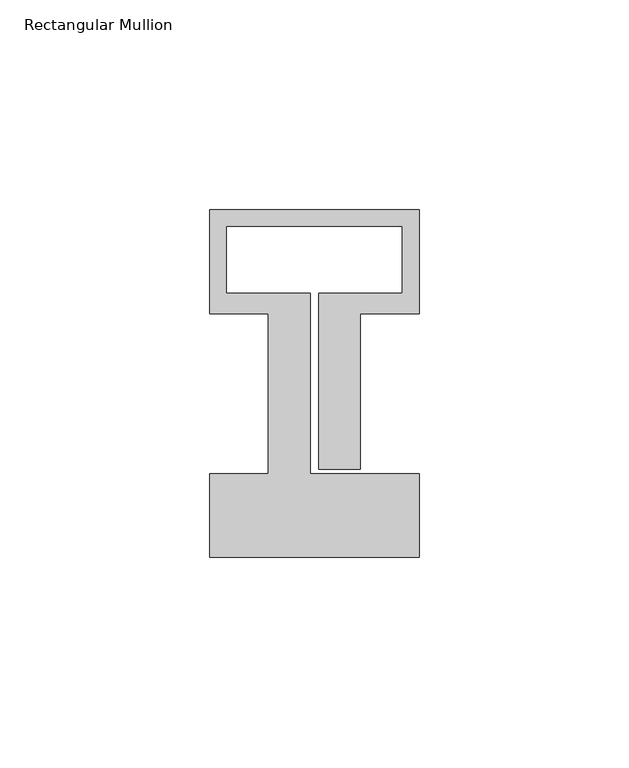
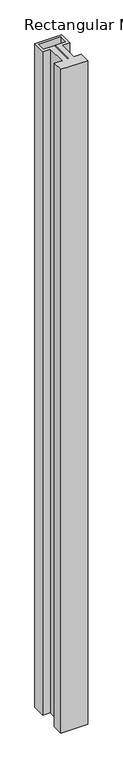
"""IFC4 building model written with IfcOpenShell, lengths in millimetres: member geometry, Rectangular Mullion."""

from ifc_helpers import new_model, si_unit, frame, origin, place, context, project, spatial, polyline, outline, extrude, source, transform, mapped, element, save


def rectangular_mullion_0cc49786(model_context):
    return source(origin(), model_context, "Body", "SweptSolid", [
        extrude(outline(polyline([(-50.0, -58.0), (-50.0, -38.0), (-36.0, -38.0), (-36.0, 0.1), (-50.0, 0.1), (-50.0, 25.0), (0.0, 25.0), (0.0, 0.1), (-14.0, 0.1), (-14.0, -37.0), (-24.0, -37.0), (-24.0, 5.0), (-4.0, 5.0), (-4.0, 21.0), (-46.0, 21.0), (-46.0, 5.0), (-26.0, 5.0), (-26.0, -38.0), (0.0, -38.0), (0.0, -58.0), (-50.0, -58.0)])), frame((0.0, 0.0, -1303.5714288), z_axis=(0.0, 0.0, 1.0), x_axis=(1.0, 0.0, 0.0)), (0.0, 0.0, 1.0), 1303.5714288),
    ])


if __name__ == "__main__":
    model = new_model("IFC4")
    model_context = context("Model", 3, world=origin())
    ifc_project = project(units=[si_unit("LENGTHUNIT", "METRE", prefix="MILLI")], contexts=[model_context])
    site = spatial("IfcSite", under=ifc_project)
    building = spatial("IfcBuilding", under=site)
    placement = place(None, origin())
    rectangular_mullion_shape = rectangular_mullion_0cc49786(model_context)
    element("IfcMember", 1, ObjectType="Rectangular Mullion", at=placement, inside=building, context=model_context, shape_type="MappedRepresentation", body=[
        mapped(rectangular_mullion_shape, transform((0.0, 0.0, 0.0), x_axis=(1.0, 0.0, 0.0), y_axis=(0.0, 1.0, 0.0), z_axis=(0.0, 0.0, 1.0))),
    ])
    save(model, "model.ifc")
